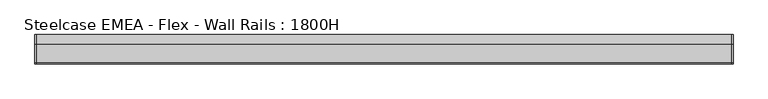
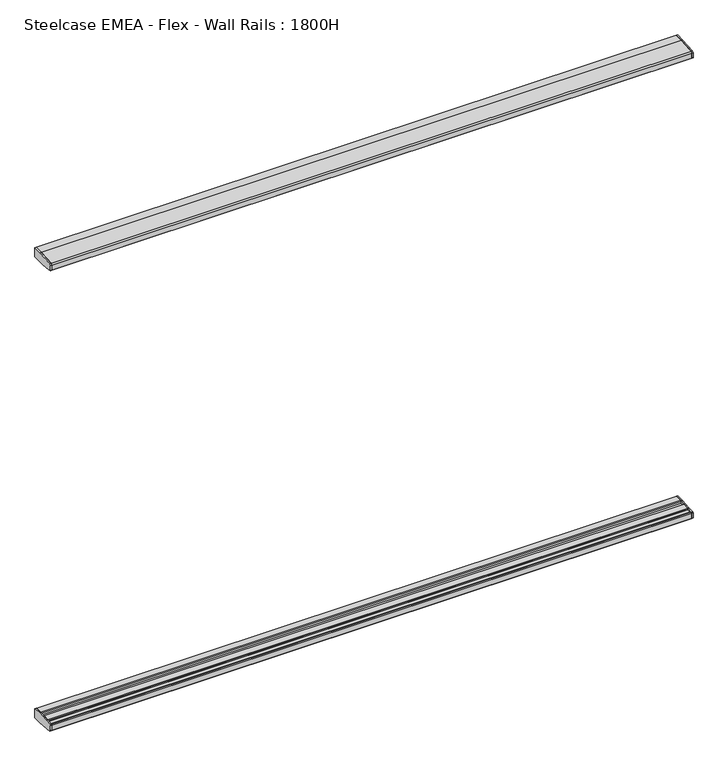
"""IFC4 building model written with IfcOpenShell, lengths in millimetres: furniture geometry, Steelcase EMEA - Flex - Wall Rails : 1800H."""

from ifc_helpers import new_model, si_unit, frame, origin, place, context, project, spatial, polyline, outline, extrude, source, transform, mapped, element, save


def steelcase_emea_flex_wall_rails_1800h_bc406451(model_context):
    return source(origin(), model_context, "Body", "SweptSolid", [
        extrude(outline(polyline([(-29.748384, 494.399958), (-2.0015978, 494.399958), (0.0, 492.39833), (0.0, 457.2), (-31.7483991, 457.2), (-95.5653908, 462.6914284), (-99.9999601, 467.5239814), (-99.9999601, 486.7480995), (-98.0172056, 488.9021347), (-73.1435844, 490.9657693), (-50.3978144, 493.0470375), (-29.748384, 494.399958)])), frame((2395.0, 0.0, 0.0), z_axis=(1.0, 0.0, 0.0), x_axis=(0.0, 1.0, 0.0)), (0.0, 0.0, 1.0), 5.0),
        extrude(outline(polyline([(-29.748384, 2275.5875964), (-50.3978144, 2276.9405169), (-73.1435844, 2279.0217851), (-98.0172056, 2281.0854198), (-99.9999601, 2283.239455), (-99.9999601, 2302.4635731), (-95.5653908, 2307.2961261), (-31.7483991, 2312.7875545), (0.0, 2312.7875545), (0.0, 2277.5892245), (-2.0015978, 2275.5875964), (-29.748384, 2275.5875964)])), frame((2395.0, 0.0, 0.0), z_axis=(1.0, 0.0, 0.0), x_axis=(0.0, 1.0, 0.0)), (0.0, 0.0, 1.0), 5.0),
        extrude(outline(polyline([(-29.748384, 494.399958), (-2.0015978, 494.399958), (0.0, 492.39833), (0.0, 457.2), (-31.7483991, 457.2), (-95.5653908, 462.6914284), (-99.9999601, 467.5239814), (-99.9999601, 486.7480995), (-98.0172056, 488.9021347), (-73.1435844, 490.9657693), (-50.3978144, 493.0470375), (-29.748384, 494.399958)])), frame((0.0, 0.0, 0.0), z_axis=(1.0, 0.0, 0.0), x_axis=(0.0, 1.0, 0.0)), (0.0, 0.0, 1.0), 5.0),
        extrude(outline(polyline([(-29.748384, 2275.5875964), (-50.3978144, 2276.9405169), (-73.1435844, 2279.0217851), (-98.0172056, 2281.0854198), (-99.9999601, 2283.239455), (-99.9999601, 2302.4635731), (-95.5653908, 2307.2961261), (-31.7483991, 2312.7875545), (0.0, 2312.7875545), (0.0, 2277.5892245), (-2.0015978, 2275.5875964), (-29.748384, 2275.5875964)])), frame((0.0, 0.0, 0.0), z_axis=(1.0, 0.0, 0.0), x_axis=(0.0, 1.0, 0.0)), (0.0, 0.0, 1.0), 5.0),
        extrude(outline(polyline([(0.0, 492.39833), (0.0, 457.2), (-31.7483991, 457.2), (-95.5653908, 462.6914284), (-99.9999606, 467.5239822), (-99.9999598, 486.7480995), (-98.0172056, 488.9021347), (-93.9826847, 489.2368579), (-91.9999743, 487.4118187), (-91.9999735, 484.9937772), (-75.1383227, 484.9937772), (-75.1383233, 488.7986526), (-73.1435844, 490.9657693), (-50.3978144, 493.0470375), (-48.4030258, 491.016882), (-48.4030258, 484.9937772), (-31.7499758, 484.9937772), (-31.7499758, 492.398336), (-29.748384, 494.399958), (-2.0015978, 494.399958), (0.0, 492.39833)])), frame((5.0, 0.0, 0.0), z_axis=(1.0, 0.0, 0.0), x_axis=(0.0, 1.0, 0.0)), (0.0, 0.0, 1.0), 2390.0),
        extrude(outline(polyline([(0.0, 2277.5892245), (-2.0015978, 2275.5875964), (-29.748384, 2275.5875964), (-31.7499758, 2277.5892185), (-31.7499758, 2284.9937772), (-48.4030258, 2284.9937772), (-48.4030258, 2278.9706725), (-50.3978144, 2276.9405169), (-73.1435844, 2279.0217851), (-75.1383233, 2281.1889019), (-75.1383227, 2284.9937772), (-91.9999735, 2284.9937772), (-91.9999743, 2282.5757358), (-93.9826847, 2280.7506966), (-98.0172056, 2281.0854198), (-99.9999601, 2283.2394553), (-99.9999601, 2302.4635728), (-95.5653908, 2307.2961261), (-31.7483991, 2312.7875545), (0.0, 2312.7875545), (0.0, 2277.5892245)])), frame((5.0, 0.0, 0.0), z_axis=(1.0, 0.0, 0.0), x_axis=(0.0, 1.0, 0.0)), (0.0, 0.0, 1.0), 2390.0),
    ])


if __name__ == "__main__":
    model = new_model("IFC4")
    model_context = context("Model", 3, world=origin())
    ifc_project = project(units=[si_unit("LENGTHUNIT", "METRE", prefix="MILLI")], contexts=[model_context])
    site = spatial("IfcSite", under=ifc_project)
    building = spatial("IfcBuilding", under=site)
    placement = place(None, origin())
    steelcase_emea_flex_wall_rails_1800h_shape = steelcase_emea_flex_wall_rails_1800h_bc406451(model_context)
    element("IfcFurniture", 1, ObjectType="Steelcase EMEA - Flex - Wall Rails : 1800H", at=placement, inside=building, context=model_context, shape_type="MappedRepresentation", body=[
        mapped(steelcase_emea_flex_wall_rails_1800h_shape, transform((0.0, 0.0, 0.0), x_axis=(1.0, 0.0, 0.0), y_axis=(0.0, 1.0, 0.0), z_axis=(0.0, 0.0, 1.0))),
    ])
    save(model, "model.ifc")
